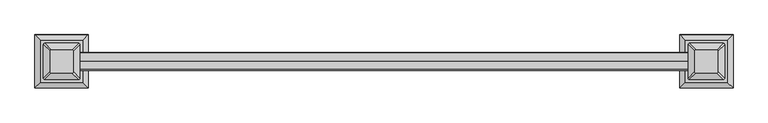
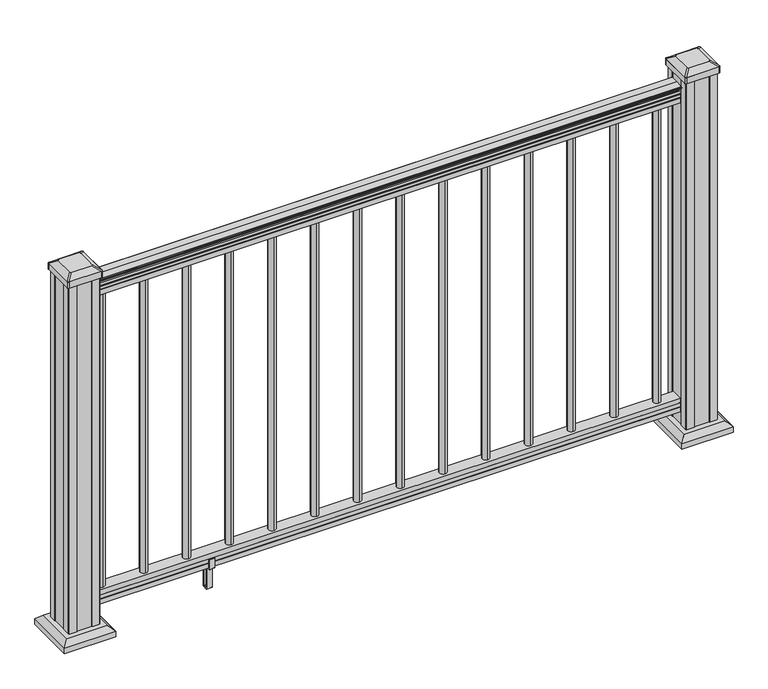
"""IFC4 building model written with IfcOpenShell, lengths in millimetres: railing geometry."""

from ifc_helpers import new_model, si_unit, point, frame, frame_2d, origin, origin_with_axes, place, context, project, spatial, polyline, circle_curve, trimmed, segment, composite_curve, outline, extrude, faceted_brep, source, transform, mapped, element, save
from ifc_brep_helpers import plane_surface, cylinder_surface, revolved_surface, extruded_surface, advanced_brep


def railing_e0f00189(model_context):
    return source(origin(), model_context, "Body", "SolidModel", [
        advanced_brep(
        [(18537.4663678, -20367.8902081, 938.4043297), (18537.4663678, -20367.8902081, 940.292412), (18537.4663678, -20366.7600218, 941.8546695), (18537.4663678, -20366.7600218, 949.0726458), (18537.4663678, -20367.4092782, 951.5060812), (18537.4663678, -20364.9092782, 955.8362083), (18537.4663678, -20363.4999357, 957.5157972), (18537.4663678, -20363.0980367, 958.6205318), (18537.4663678, -20363.0980368, 959.9608158), (18537.4663678, -20364.651484, 961.514263), (18537.4663678, -20385.3230368, 961.514263), (18537.4663678, -20405.9945896, 961.514263), (18537.4663678, -20407.5480368, 959.9608158), (18537.4663678, -20407.5480368, 958.6205318), (18537.4663678, -20407.1461379, 957.5157972), (18537.4663678, -20405.7367954, 955.8362083), (18537.4663678, -20403.2367954, 951.5060812), (18537.4663678, -20403.8860518, 949.0726458), (18537.4663678, -20403.8860518, 941.8546695), (18537.4663678, -20402.7558655, 940.292412), (18537.4663678, -20402.7558656, 938.4043297), (18537.4663678, -20400.1820368, 938.4043297), (18537.4663678, -20400.1820368, 927.9048283), (18537.4663678, -20401.1980368, 926.8888283), (18537.4663678, -20401.1980368, 914.4), (18537.4663678, -20369.4480368, 914.4), (18537.4663678, -20369.4480368, 926.731013), (18537.4663678, -20370.4640368, 927.747013), (18537.4663678, -20370.4640368, 938.4043297), (17013.4663678, -20367.8902081, 938.4043297), (17013.4663678, -20370.4640368, 938.4043297), (17013.4663678, -20370.4640368, 927.747013), (17013.4663678, -20369.4480368, 926.731013), (17013.4663678, -20369.4480368, 914.4), (17013.4663678, -20401.1980368, 914.4), (17013.4663678, -20401.1980368, 926.8888283), (17013.4663678, -20400.1820368, 927.9048283), (17013.4663678, -20400.1820368, 938.4043297), (17013.4663678, -20402.7558656, 938.4043297), (17013.4663678, -20402.7558656, 940.292412), (17013.4663678, -20403.8860518, 941.8546695), (17013.4663678, -20403.8860518, 949.0726458), (17013.4663678, -20403.2367954, 951.5060812), (17013.4663678, -20405.7367954, 955.8362083), (17013.4663678, -20407.1461379, 957.5157972), (17013.4663678, -20407.5480369, 958.6205318), (17013.4663678, -20407.5480368, 959.9608158), (17013.4663678, -20405.9945896, 961.514263), (17013.4663678, -20385.3230368, 961.514263), (17013.4663678, -20364.651484, 961.514263), (17013.4663678, -20363.0980368, 959.9608158), (17013.4663678, -20363.0980368, 958.6205318), (17013.4663678, -20363.4999357, 957.5157972), (17013.4663678, -20364.9092782, 955.8362083), (17013.4663678, -20367.4092782, 951.5060812), (17013.4663678, -20366.7600218, 949.0726458), (17013.4663678, -20366.7600218, 941.8546695), (17013.4663678, -20367.8902081, 940.292412)],
        [
            (0, 1),
            (1, 2, circle_curve(frame((18537.4663678, -20374.2049614, 946.0506383), z_axis=(1.0, 0.0, 0.0), x_axis=(0.0, -1.0, 0.0)), 8.545951)),
            (2, 3, circle_curve(frame((18537.4663678, -20373.7678984, 945.4636577), z_axis=(1.0, 0.0, 0.0), x_axis=(0.0, -1.0, 0.0)), 7.882584)),
            (3, 4, circle_curve(frame((18537.4663678, -20363.2545743, 951.3112527), z_axis=(-1.0, 0.0, 0.0), x_axis=(0.0, -1.0, 0.0)), 4.1592695)),
            (4, 5, circle_curve(frame((18537.4663678, -20361.9672677, 951.2508864), z_axis=(-1.0, 0.0, 0.0), x_axis=(0.0, -1.0, 0.0)), 5.4479907)),
            (5, 6, circle_curve(frame((18537.4663678, -20363.2004262, 955.833395), z_axis=(-1.0, 0.0, 0.0), x_axis=(0.0, -1.0, 0.0)), 1.7088543)),
            (6, 7, circle_curve(frame((18537.4663678, -20364.8173262, 958.6205318), z_axis=(1.0, 0.0, 0.0), x_axis=(0.0, -1.0, 0.0)), 1.7192895)),
            (7, 8),
            (8, 9, circle_curve(frame((18537.4663678, -20364.651484, 959.9608158), z_axis=(1.0, 0.0, 0.0), x_axis=(0.0, -1.0, 0.0)), 1.5534472)),
            (9, 10),
            (10, 11),
            (11, 12, circle_curve(frame((18537.4663678, -20405.9945896, 959.9608158), z_axis=(1.0, 0.0, 0.0), x_axis=(0.0, 1.0, 0.0)), 1.5534472)),
            (12, 13),
            (13, 14, circle_curve(frame((18537.4663678, -20405.8287474, 958.6205318), z_axis=(1.0, 0.0, 0.0), x_axis=(0.0, 1.0, 0.0)), 1.7192895)),
            (14, 15, circle_curve(frame((18537.4663678, -20407.4456475, 955.833395), z_axis=(-1.0, 0.0, 0.0), x_axis=(0.0, 1.0, 0.0)), 1.7088543)),
            (15, 16, circle_curve(frame((18537.4663678, -20408.6788059, 951.2508864), z_axis=(-1.0, 0.0, 0.0), x_axis=(0.0, 1.0, 0.0)), 5.4479907)),
            (16, 17, circle_curve(frame((18537.4663678, -20407.3914994, 951.3112527), z_axis=(-1.0, 0.0, 0.0), x_axis=(0.0, 1.0, 0.0)), 4.1592695)),
            (17, 18, circle_curve(frame((18537.4663678, -20396.8781752, 945.4636577), z_axis=(1.0, 0.0, 0.0), x_axis=(0.0, 1.0, 0.0)), 7.882584)),
            (18, 19, circle_curve(frame((18537.4663678, -20396.4411123, 946.0506383), z_axis=(1.0, 0.0, 0.0), x_axis=(0.0, 1.0, 0.0)), 8.545951)),
            (19, 20),
            (20, 21, circle_curve(frame((18537.4663678, -20401.4689512, 938.4043297), z_axis=(1.0, 0.0, 0.0), x_axis=(0.0, 1.0, 0.0)), 1.2869144)),
            (21, 22),
            (22, 23),
            (23, 24),
            (24, 25),
            (25, 26),
            (26, 27),
            (27, 28),
            (28, 0, circle_curve(frame((18537.4663678, -20369.1771224, 938.4043297), z_axis=(1.0, 0.0, 0.0), x_axis=(0.0, -1.0, 0.0)), 1.2869144)),
            (29, 30, circle_curve(frame((17013.4663678, -20369.1771224, 938.4043297), z_axis=(-1.0, 0.0, 0.0), x_axis=(0.0, -1.0, 0.0)), 1.2869144)),
            (30, 31),
            (31, 32),
            (32, 33),
            (33, 34),
            (34, 35),
            (35, 36),
            (36, 37),
            (37, 38, circle_curve(frame((17013.4663678, -20401.4689512, 938.4043297), z_axis=(-1.0, 0.0, 0.0), x_axis=(0.0, 1.0, 0.0)), 1.2869144)),
            (38, 39),
            (39, 40, circle_curve(frame((17013.4663678, -20396.4411123, 946.0506383), z_axis=(-1.0, 0.0, 0.0), x_axis=(0.0, 1.0, 0.0)), 8.545951)),
            (40, 41, circle_curve(frame((17013.4663678, -20396.8781752, 945.4636577), z_axis=(-1.0, 0.0, 0.0), x_axis=(0.0, 1.0, 0.0)), 7.882584)),
            (41, 42, circle_curve(frame((17013.4663678, -20407.3914994, 951.3112527), z_axis=(1.0, 0.0, 0.0), x_axis=(0.0, 1.0, 0.0)), 4.1592695)),
            (42, 43, circle_curve(frame((17013.4663678, -20408.6788059, 951.2508864), z_axis=(1.0, 0.0, 0.0), x_axis=(0.0, 1.0, 0.0)), 5.4479907)),
            (43, 44, circle_curve(frame((17013.4663678, -20407.4456475, 955.833395), z_axis=(1.0, 0.0, 0.0), x_axis=(0.0, 1.0, 0.0)), 1.7088543)),
            (44, 45, circle_curve(frame((17013.4663678, -20405.8287474, 958.6205318), z_axis=(-1.0, 0.0, 0.0), x_axis=(0.0, 1.0, 0.0)), 1.7192895)),
            (45, 46),
            (46, 47, circle_curve(frame((17013.4663678, -20405.9945896, 959.9608158), z_axis=(-1.0, 0.0, 0.0), x_axis=(0.0, 1.0, 0.0)), 1.5534472)),
            (47, 48),
            (48, 49),
            (49, 50, circle_curve(frame((17013.4663678, -20364.651484, 959.9608158), z_axis=(-1.0, 0.0, 0.0), x_axis=(0.0, -1.0, 0.0)), 1.5534472)),
            (50, 51),
            (51, 52, circle_curve(frame((17013.4663678, -20364.8173262, 958.6205318), z_axis=(-1.0, 0.0, 0.0), x_axis=(0.0, -1.0, 0.0)), 1.7192895)),
            (52, 53, circle_curve(frame((17013.4663678, -20363.2004262, 955.833395), z_axis=(1.0, 0.0, 0.0), x_axis=(0.0, -1.0, 0.0)), 1.7088543)),
            (53, 54, circle_curve(frame((17013.4663678, -20361.9672677, 951.2508864), z_axis=(1.0, 0.0, 0.0), x_axis=(0.0, -1.0, 0.0)), 5.4479907)),
            (54, 55, circle_curve(frame((17013.4663678, -20363.2545743, 951.3112527), z_axis=(1.0, 0.0, 0.0), x_axis=(0.0, -1.0, 0.0)), 4.1592695)),
            (55, 56, circle_curve(frame((17013.4663678, -20373.7678984, 945.4636577), z_axis=(-1.0, 0.0, 0.0), x_axis=(0.0, -1.0, 0.0)), 7.882584)),
            (56, 57, circle_curve(frame((17013.4663678, -20374.2049614, 946.0506383), z_axis=(-1.0, 0.0, 0.0), x_axis=(0.0, -1.0, 0.0)), 8.545951)),
            (57, 29),
            (28, 30),
            (29, 0),
            (27, 31),
            (26, 32),
            (25, 33),
            (24, 34),
            (23, 35),
            (22, 36),
            (21, 37),
            (20, 38),
            (19, 39),
            (18, 40),
            (17, 41),
            (16, 42),
            (15, 43),
            (14, 44),
            (13, 45),
            (12, 46),
            (11, 47),
            (10, 48),
            (9, 49),
            (8, 50),
            (7, 51),
            (6, 52),
            (5, 53),
            (4, 54),
            (3, 55),
            (2, 56),
            (1, 57),
        ],
        [
            plane_surface(frame((18537.4663678, -20385.3230368, 914.4), z_axis=(1.0, 0.0, 0.0), x_axis=(0.0, -1.0, 0.0))),
            plane_surface(frame((17013.4663678, -20385.3230368, 914.4), z_axis=(-1.0, 0.0, 0.0), x_axis=(0.0, -1.0, 0.0))),
            cylinder_surface(frame((18537.4663678, -20369.1771224, 938.4043297), z_axis=(1.0, 0.0, 0.0), x_axis=(0.0, -1.0, 0.0)), 1.2869144),
            plane_surface(frame((18537.4663678, -20370.4640368, 927.747013), z_axis=(0.0, 1.0, 0.0), x_axis=(-1.0, 0.0, 0.0))),
            plane_surface(frame((18537.4663678, -20369.4480368, 926.731013), z_axis=(0.0, 0.7071067811865395, 0.7071067811865556), x_axis=(-1.0, 0.0, 0.0))),
            plane_surface(frame((18537.4663678, -20369.4480368, 914.4), z_axis=(0.0, 1.0, 0.0), x_axis=(-1.0, 0.0, 0.0))),
            plane_surface(frame((18537.4663678, -20401.1980368, 914.4), z_axis=(0.0, 0.0, -1.0), x_axis=(-1.0, 0.0, 0.0))),
            plane_surface(frame((18537.4663678, -20401.1980368, 926.8888283), z_axis=(0.0, -1.0, 0.0), x_axis=(-1.0, 0.0, 0.0))),
            plane_surface(frame((18537.4663678, -20400.1820368, 927.9048283), z_axis=(0.0, -0.7071067811865432, 0.707106781186552), x_axis=(-1.0, 0.0, 0.0))),
            plane_surface(frame((18537.4663678, -20400.1820368, 938.4043297), z_axis=(0.0, -1.0, 0.0), x_axis=(-1.0, 0.0, 0.0))),
            cylinder_surface(frame((18537.4663678, -20401.4689512, 938.4043297), z_axis=(1.0, 0.0, 0.0), x_axis=(0.0, 1.0, 0.0)), 1.2869144),
            plane_surface(frame((18537.4663678, -20402.7558656, 940.292412), z_axis=(0.0, -1.0, 0.0), x_axis=(-1.0, 0.0, 0.0))),
            cylinder_surface(frame((18537.4663678, -20396.4411123, 946.0506383), z_axis=(1.0, 0.0, 0.0), x_axis=(0.0, 1.0, 0.0)), 8.545951),
            cylinder_surface(frame((18537.4663678, -20396.8781752, 945.4636577), z_axis=(1.0, 0.0, 0.0), x_axis=(0.0, 1.0, 0.0)), 7.882584),
            revolved_surface(polyline([(17013.4663678, -20403.2322299, 951.3112527), (18537.4663678, -20403.2322299, 951.3112527)]), (18537.4663678, -20407.3914994, 951.3112527), (-1.0, 0.0, 0.0)),
            revolved_surface(polyline([(17013.4663678, -20403.2308152, 951.2508864), (18537.4663678, -20403.2308152, 951.2508864)]), (18537.4663678, -20408.6788059, 951.2508864), (-1.0, 0.0, 0.0)),
            revolved_surface(polyline([(17013.4663678, -20405.7367932, 955.833395), (18537.4663678, -20405.7367932, 955.833395)]), (18537.4663678, -20407.4456475, 955.833395), (-1.0, 0.0, 0.0)),
            cylinder_surface(frame((18537.4663678, -20405.8287474, 958.6205318), z_axis=(1.0, 0.0, 0.0), x_axis=(0.0, 1.0, 0.0)), 1.7192895),
            plane_surface(frame((18537.4663678, -20407.5480368, 959.9608158), z_axis=(0.0, -1.0, 0.0), x_axis=(-1.0, 0.0, 0.0))),
            cylinder_surface(frame((18537.4663678, -20405.9945896, 959.9608158), z_axis=(1.0, 0.0, 0.0), x_axis=(0.0, 1.0, 0.0)), 1.5534472),
            plane_surface(frame((18537.4663678, -20385.3230368, 961.514263), z_axis=(0.0, 0.0, 1.0), x_axis=(-1.0, 0.0, 0.0))),
            plane_surface(frame((18537.4663678, -20364.651484, 961.514263), z_axis=(0.0, 0.0, 1.0), x_axis=(-1.0, 0.0, 0.0))),
            cylinder_surface(frame((18537.4663678, -20364.651484, 959.9608158), z_axis=(1.0, 0.0, 0.0), x_axis=(0.0, -1.0, 0.0)), 1.5534472),
            plane_surface(frame((18537.4663678, -20363.0980368, 958.6205318), z_axis=(0.0, 1.0, 0.0), x_axis=(-1.0, 0.0, 0.0))),
            cylinder_surface(frame((18537.4663678, -20364.8173262, 958.6205318), z_axis=(1.0, 0.0, 0.0), x_axis=(0.0, -1.0, 0.0)), 1.7192895),
            revolved_surface(polyline([(17013.4663678, -20364.9092805, 955.833395), (18537.4663678, -20364.9092805, 955.833395)]), (18537.4663678, -20363.2004262, 955.833395), (-1.0, 0.0, 0.0)),
            revolved_surface(polyline([(17013.4663678, -20367.4152584, 951.2508864), (18537.4663678, -20367.4152584, 951.2508864)]), (18537.4663678, -20361.9672677, 951.2508864), (-1.0, 0.0, 0.0)),
            revolved_surface(polyline([(17013.4663678, -20367.4138438, 951.3112527), (18537.4663678, -20367.4138438, 951.3112527)]), (18537.4663678, -20363.2545743, 951.3112527), (-1.0, 0.0, 0.0)),
            cylinder_surface(frame((18537.4663678, -20373.7678984, 945.4636577), z_axis=(1.0, 0.0, 0.0), x_axis=(0.0, -1.0, 0.0)), 7.882584),
            cylinder_surface(frame((18537.4663678, -20374.2049614, 946.0506383), z_axis=(1.0, 0.0, 0.0), x_axis=(0.0, -1.0, 0.0)), 8.545951),
            plane_surface(frame((18537.4663678, -20367.8902081, 938.4043297), z_axis=(0.0, 1.0, 0.0), x_axis=(-1.0, 0.0, 0.0))),
        ],
        [
            (0, [[1, 2, 3, 4, 5, 6, 7, 8, 9, 10, 11, 12, 13, 14, 15, 16, 17, 18, 19, 20, 21, 22, 23, 24, 25, 26, 27, 28, 29]]),
            (1, [[30, 31, 32, 33, 34, 35, 36, 37, 38, 39, 40, 41, 42, 43, 44, 45, 46, 47, 48, 49, 50, 51, 52, 53, 54, 55, 56, 57, 58]]),
            (2, [[-29, 59, -30, 60]]),
            (3, [[-28, 61, -31, -59]]),
            (4, [[-27, 62, -32, -61]]),
            (5, [[-26, 63, -33, -62]]),
            (6, [[-25, 64, -34, -63]]),
            (7, [[-24, 65, -35, -64]]),
            (8, [[-23, 66, -36, -65]]),
            (9, [[-22, 67, -37, -66]]),
            (10, [[-21, 68, -38, -67]]),
            (11, [[-20, 69, -39, -68]]),
            (12, [[-19, 70, -40, -69]]),
            (13, [[-18, 71, -41, -70]]),
            (14, [[-17, 72, -42, -71]]),
            (15, [[-16, 73, -43, -72]]),
            (16, [[-15, 74, -44, -73]]),
            (17, [[-14, 75, -45, -74]]),
            (18, [[-13, 76, -46, -75]]),
            (19, [[-12, 77, -47, -76]]),
            (20, [[-11, 78, -48, -77]]),
            (21, [[-10, 79, -49, -78]]),
            (22, [[-9, 80, -50, -79]]),
            (23, [[-8, 81, -51, -80]]),
            (24, [[-7, 82, -52, -81]]),
            (25, [[-6, 83, -53, -82]]),
            (26, [[-5, 84, -54, -83]]),
            (27, [[-4, 85, -55, -84]]),
            (28, [[-3, 86, -56, -85]]),
            (29, [[-2, 87, -57, -86]]),
            (30, [[-1, -60, -58, -87]]),
        ],
    ),
        faceted_brep([(18537.4663678, -20369.4105499, 76.0541976), (18537.4663678, -20370.4265499, 77.3546183), (18537.4663678, -20370.4265499, 87.7141717), (18537.4663678, -20369.4105499, 89.0624492), (18537.4663678, -20369.4105499, 101.5958781), (18537.4663678, -20401.1605499, 101.5958781), (18537.4663678, -20401.1605499, 89.0458024), (18537.4663678, -20400.1445499, 87.6975248), (18537.4663678, -20400.1445499, 77.3858283), (18537.4663678, -20401.1605499, 76.0375508), (18537.4663678, -20401.1605499, 63.5), (18537.4663678, -20369.4105499, 63.5), (17013.4663678, -20369.4105499, 76.0541976), (17013.4663678, -20369.4105499, 63.5), (17013.4663678, -20401.1605499, 63.5), (17013.4663678, -20401.1605499, 76.0375508), (17013.4663678, -20400.1445499, 77.3858283), (17013.4663678, -20400.1445499, 87.6975248), (17013.4663678, -20401.1605499, 89.0458024), (17013.4663678, -20401.1605499, 101.5958781), (17013.4663678, -20369.4105499, 101.5958781), (17013.4663678, -20369.4105499, 89.0624492), (17013.4663678, -20370.4265499, 87.7141717), (17013.4663678, -20370.4265499, 77.3546183)], [[[0, 1, 2, 3, 4, 5, 6, 7, 8, 9, 10, 11]], [[12, 13, 14, 15, 16, 17, 18, 19, 20, 21, 22, 23]], [[0, 11, 13, 12]], [[11, 10, 14, 13]], [[10, 9, 15, 14]], [[9, 8, 16, 15]], [[8, 7, 17, 16]], [[7, 6, 18, 17]], [[6, 5, 19, 18]], [[5, 4, 20, 19]], [[4, 3, 21, 20]], [[3, 2, 22, 21]], [[2, 1, 23, 22]], [[1, 0, 12, 23]]]),
        extrude(outline(composite_curve([segment(trimmed(circle_curve(frame_2d((17038.8663678, -20385.3230368)), 9.525), [point((17038.8663678, -20375.7980368))], [point((17048.3913678, -20385.3230368))], False, "CARTESIAN"), True, "CONTINUOUS"), segment(trimmed(circle_curve(frame_2d((17038.8663678, -20385.3230368)), 9.525), [point((17048.3913678, -20385.3230368))], [point((17038.8663678, -20394.8480368))], False, "CARTESIAN"), True, "CONTINUOUS"), segment(trimmed(circle_curve(frame_2d((17038.8663678, -20385.3230368)), 9.525), [point((17038.8663678, -20394.8480368))], [point((17029.3413678, -20385.3230368))], False, "CARTESIAN"), True, "CONTINUOUS"), segment(trimmed(circle_curve(frame_2d((17038.8663678, -20385.3230368)), 9.525), [point((17029.3413678, -20385.3230368))], [point((17038.8663678, -20375.7980368))], False, "CARTESIAN"), True, "CONTINUOUS")], self_intersect=False)), frame((0.0, 0.0, 101.5958781), z_axis=(0.0, 0.0, 1.0), x_axis=(1.0, 0.0, 0.0)), (0.0, 0.0, 1.0), 812.8041219),
        extrude(outline(composite_curve([segment(trimmed(circle_curve(frame_2d((17150.1183678, -20385.3230368)), 9.525), [point((17150.1183678, -20375.7980368))], [point((17159.6433678, -20385.3230368))], False, "CARTESIAN"), True, "CONTINUOUS"), segment(trimmed(circle_curve(frame_2d((17150.1183678, -20385.3230368)), 9.525), [point((17159.6433678, -20385.3230368))], [point((17150.1183678, -20394.8480368))], False, "CARTESIAN"), True, "CONTINUOUS"), segment(trimmed(circle_curve(frame_2d((17150.1183678, -20385.3230368)), 9.525), [point((17150.1183678, -20394.8480368))], [point((17140.5933678, -20385.3230368))], False, "CARTESIAN"), True, "CONTINUOUS"), segment(trimmed(circle_curve(frame_2d((17150.1183678, -20385.3230368)), 9.525), [point((17140.5933678, -20385.3230368))], [point((17150.1183678, -20375.7980368))], False, "CARTESIAN"), True, "CONTINUOUS")], self_intersect=False)), frame((0.0, 0.0, 101.5958781), z_axis=(0.0, 0.0, 1.0), x_axis=(1.0, 0.0, 0.0)), (0.0, 0.0, 1.0), 812.8041219),
        extrude(outline(composite_curve([segment(trimmed(circle_curve(frame_2d((17261.3703678, -20385.3230368)), 9.525), [point((17261.3703678, -20375.7980368))], [point((17270.8953678, -20385.3230368))], False, "CARTESIAN"), True, "CONTINUOUS"), segment(trimmed(circle_curve(frame_2d((17261.3703678, -20385.3230368)), 9.525), [point((17270.8953678, -20385.3230368))], [point((17261.3703678, -20394.8480368))], False, "CARTESIAN"), True, "CONTINUOUS"), segment(trimmed(circle_curve(frame_2d((17261.3703678, -20385.3230368)), 9.525), [point((17261.3703678, -20394.8480368))], [point((17251.8453678, -20385.3230368))], False, "CARTESIAN"), True, "CONTINUOUS"), segment(trimmed(circle_curve(frame_2d((17261.3703678, -20385.3230368)), 9.525), [point((17251.8453678, -20385.3230368))], [point((17261.3703678, -20375.7980368))], False, "CARTESIAN"), True, "CONTINUOUS")], self_intersect=False)), frame((0.0, 0.0, 101.5958781), z_axis=(0.0, 0.0, 1.0), x_axis=(1.0, 0.0, 0.0)), (0.0, 0.0, 1.0), 812.8041219),
        extrude(outline(polyline([(-20403.4840356, 88.7203979), (-20401.452036, 88.7203979), (-20400.4360363, 87.7043953), (-20400.4360363, 77.2686081), (-20401.452036, 76.2526073), (-20401.452036, 64.262001), (-20400.6900369, 63.5000019), (-20369.9560358, 63.5000019), (-20369.1940366, 64.262001), (-20369.1940366, 76.2526073), (-20370.2100364, 77.2686081), (-20370.2100364, 87.7043953), (-20369.1940366, 88.7203979), (-20367.162037, 88.7203979), (-20366.400036, 87.9583969), (-20366.400036, 61.4680023), (-20367.162037, 60.7060013), (-20377.1950361, 60.7060013), (-20377.9570362, 59.9440012), (-20377.9570362, 0.762001), (-20378.7190372, 0.0), (-20391.9270364, 0.0), (-20392.6890365, 0.7620001), (-20392.6890365, 59.9440012), (-20393.4510366, 60.7060013), (-20403.4840356, 60.7060013), (-20404.2460367, 61.4680023), (-20404.2460367, 87.9583969), (-20403.4840356, 88.7203979)]), holes=[polyline([(-20381.8940364, 60.7060013), (-20388.7520362, 60.7060013), (-20389.5140363, 59.9440012), (-20389.5140363, 3.9370003), (-20388.7520391, 3.1750031), (-20381.8940364, 3.1750031), (-20381.1320363, 3.9370031), (-20381.1320363, 59.9440012), (-20381.8940364, 60.7060013)])]), frame((17309.6303678, 0.0, 0.0), z_axis=(1.0, 0.0, 0.0), x_axis=(0.0, 1.0, 0.0)), (0.0, 0.0, 1.0), 14.732),
        extrude(outline(composite_curve([segment(trimmed(circle_curve(frame_2d((17372.6223678, -20385.3230368)), 9.525), [point((17372.6223678, -20375.7980368))], [point((17382.1473678, -20385.3230368))], False, "CARTESIAN"), True, "CONTINUOUS"), segment(trimmed(circle_curve(frame_2d((17372.6223678, -20385.3230368)), 9.525), [point((17382.1473678, -20385.3230368))], [point((17372.6223678, -20394.8480368))], False, "CARTESIAN"), True, "CONTINUOUS"), segment(trimmed(circle_curve(frame_2d((17372.6223678, -20385.3230368)), 9.525), [point((17372.6223678, -20394.8480368))], [point((17363.0973678, -20385.3230368))], False, "CARTESIAN"), True, "CONTINUOUS"), segment(trimmed(circle_curve(frame_2d((17372.6223678, -20385.3230368)), 9.525), [point((17363.0973678, -20385.3230368))], [point((17372.6223678, -20375.7980368))], False, "CARTESIAN"), True, "CONTINUOUS")], self_intersect=False)), frame((0.0, 0.0, 101.5958781), z_axis=(0.0, 0.0, 1.0), x_axis=(1.0, 0.0, 0.0)), (0.0, 0.0, 1.0), 812.8041219),
        extrude(outline(composite_curve([segment(trimmed(circle_curve(frame_2d((17483.8743678, -20385.3230368)), 9.525), [point((17483.8743678, -20375.7980368))], [point((17493.3993678, -20385.3230368))], False, "CARTESIAN"), True, "CONTINUOUS"), segment(trimmed(circle_curve(frame_2d((17483.8743678, -20385.3230368)), 9.525), [point((17493.3993678, -20385.3230368))], [point((17483.8743678, -20394.8480368))], False, "CARTESIAN"), True, "CONTINUOUS"), segment(trimmed(circle_curve(frame_2d((17483.8743678, -20385.3230368)), 9.525), [point((17483.8743678, -20394.8480368))], [point((17474.3493678, -20385.3230368))], False, "CARTESIAN"), True, "CONTINUOUS"), segment(trimmed(circle_curve(frame_2d((17483.8743678, -20385.3230368)), 9.525), [point((17474.3493678, -20385.3230368))], [point((17483.8743678, -20375.7980368))], False, "CARTESIAN"), True, "CONTINUOUS")], self_intersect=False)), frame((0.0, 0.0, 101.5958781), z_axis=(0.0, 0.0, 1.0), x_axis=(1.0, 0.0, 0.0)), (0.0, 0.0, 1.0), 812.8041219),
        extrude(outline(composite_curve([segment(trimmed(circle_curve(frame_2d((17595.1263678, -20385.3230368)), 9.525), [point((17595.1263678, -20375.7980368))], [point((17604.6513678, -20385.3230368))], False, "CARTESIAN"), True, "CONTINUOUS"), segment(trimmed(circle_curve(frame_2d((17595.1263678, -20385.3230368)), 9.525), [point((17604.6513678, -20385.3230368))], [point((17595.1263678, -20394.8480368))], False, "CARTESIAN"), True, "CONTINUOUS"), segment(trimmed(circle_curve(frame_2d((17595.1263678, -20385.3230368)), 9.525), [point((17595.1263678, -20394.8480368))], [point((17585.6013678, -20385.3230368))], False, "CARTESIAN"), True, "CONTINUOUS"), segment(trimmed(circle_curve(frame_2d((17595.1263678, -20385.3230368)), 9.525), [point((17585.6013678, -20385.3230368))], [point((17595.1263678, -20375.7980368))], False, "CARTESIAN"), True, "CONTINUOUS")], self_intersect=False)), frame((0.0, 0.0, 101.5958781), z_axis=(0.0, 0.0, 1.0), x_axis=(1.0, 0.0, 0.0)), (0.0, 0.0, 1.0), 812.8041219),
        extrude(outline(composite_curve([segment(trimmed(circle_curve(frame_2d((17706.3783678, -20385.3230368)), 9.525), [point((17706.3783678, -20375.7980368))], [point((17715.9033678, -20385.3230368))], False, "CARTESIAN"), True, "CONTINUOUS"), segment(trimmed(circle_curve(frame_2d((17706.3783678, -20385.3230368)), 9.525), [point((17715.9033678, -20385.3230368))], [point((17706.3783678, -20394.8480368))], False, "CARTESIAN"), True, "CONTINUOUS"), segment(trimmed(circle_curve(frame_2d((17706.3783678, -20385.3230368)), 9.525), [point((17706.3783678, -20394.8480368))], [point((17696.8533678, -20385.3230368))], False, "CARTESIAN"), True, "CONTINUOUS"), segment(trimmed(circle_curve(frame_2d((17706.3783678, -20385.3230368)), 9.525), [point((17696.8533678, -20385.3230368))], [point((17706.3783678, -20375.7980368))], False, "CARTESIAN"), True, "CONTINUOUS")], self_intersect=False)), frame((0.0, 0.0, 101.5958781), z_axis=(0.0, 0.0, 1.0), x_axis=(1.0, 0.0, 0.0)), (0.0, 0.0, 1.0), 812.8041219),
        extrude(outline(composite_curve([segment(trimmed(circle_curve(frame_2d((17817.6303678, -20385.3230368)), 9.525), [point((17817.6303678, -20375.7980368))], [point((17827.1553678, -20385.3230368))], False, "CARTESIAN"), True, "CONTINUOUS"), segment(trimmed(circle_curve(frame_2d((17817.6303678, -20385.3230368)), 9.525), [point((17827.1553678, -20385.3230368))], [point((17817.6303678, -20394.8480368))], False, "CARTESIAN"), True, "CONTINUOUS"), segment(trimmed(circle_curve(frame_2d((17817.6303678, -20385.3230368)), 9.525), [point((17817.6303678, -20394.8480368))], [point((17808.1053678, -20385.3230368))], False, "CARTESIAN"), True, "CONTINUOUS"), segment(trimmed(circle_curve(frame_2d((17817.6303678, -20385.3230368)), 9.525), [point((17808.1053678, -20385.3230368))], [point((17817.6303678, -20375.7980368))], False, "CARTESIAN"), True, "CONTINUOUS")], self_intersect=False)), frame((0.0, 0.0, 101.5958781), z_axis=(0.0, 0.0, 1.0), x_axis=(1.0, 0.0, 0.0)), (0.0, 0.0, 1.0), 812.8041219),
        extrude(outline(composite_curve([segment(trimmed(circle_curve(frame_2d((17928.8823678, -20385.3230368)), 9.525), [point((17928.8823678, -20375.7980368))], [point((17938.4073678, -20385.3230368))], False, "CARTESIAN"), True, "CONTINUOUS"), segment(trimmed(circle_curve(frame_2d((17928.8823678, -20385.3230368)), 9.525), [point((17938.4073678, -20385.3230368))], [point((17928.8823678, -20394.8480368))], False, "CARTESIAN"), True, "CONTINUOUS"), segment(trimmed(circle_curve(frame_2d((17928.8823678, -20385.3230368)), 9.525), [point((17928.8823678, -20394.8480368))], [point((17919.3573678, -20385.3230368))], False, "CARTESIAN"), True, "CONTINUOUS"), segment(trimmed(circle_curve(frame_2d((17928.8823678, -20385.3230368)), 9.525), [point((17919.3573678, -20385.3230368))], [point((17928.8823678, -20375.7980368))], False, "CARTESIAN"), True, "CONTINUOUS")], self_intersect=False)), frame((0.0, 0.0, 101.5958781), z_axis=(0.0, 0.0, 1.0), x_axis=(1.0, 0.0, 0.0)), (0.0, 0.0, 1.0), 812.8041219),
        extrude(outline(composite_curve([segment(trimmed(circle_curve(frame_2d((18040.1343678, -20385.3230368)), 9.525), [point((18040.1343678, -20375.7980368))], [point((18049.6593678, -20385.3230368))], False, "CARTESIAN"), True, "CONTINUOUS"), segment(trimmed(circle_curve(frame_2d((18040.1343678, -20385.3230368)), 9.525), [point((18049.6593678, -20385.3230368))], [point((18040.1343678, -20394.8480368))], False, "CARTESIAN"), True, "CONTINUOUS"), segment(trimmed(circle_curve(frame_2d((18040.1343678, -20385.3230368)), 9.525), [point((18040.1343678, -20394.8480368))], [point((18030.6093678, -20385.3230368))], False, "CARTESIAN"), True, "CONTINUOUS"), segment(trimmed(circle_curve(frame_2d((18040.1343678, -20385.3230368)), 9.525), [point((18030.6093678, -20385.3230368))], [point((18040.1343678, -20375.7980368))], False, "CARTESIAN"), True, "CONTINUOUS")], self_intersect=False)), frame((0.0, 0.0, 101.5958781), z_axis=(0.0, 0.0, 1.0), x_axis=(1.0, 0.0, 0.0)), (0.0, 0.0, 1.0), 812.8041219),
        extrude(outline(composite_curve([segment(trimmed(circle_curve(frame_2d((18151.3863678, -20385.3230368)), 9.525), [point((18151.3863678, -20375.7980368))], [point((18160.9113678, -20385.3230368))], False, "CARTESIAN"), True, "CONTINUOUS"), segment(trimmed(circle_curve(frame_2d((18151.3863678, -20385.3230368)), 9.525), [point((18160.9113678, -20385.3230368))], [point((18151.3863678, -20394.8480368))], False, "CARTESIAN"), True, "CONTINUOUS"), segment(trimmed(circle_curve(frame_2d((18151.3863678, -20385.3230368)), 9.525), [point((18151.3863678, -20394.8480368))], [point((18141.8613678, -20385.3230368))], False, "CARTESIAN"), True, "CONTINUOUS"), segment(trimmed(circle_curve(frame_2d((18151.3863678, -20385.3230368)), 9.525), [point((18141.8613678, -20385.3230368))], [point((18151.3863678, -20375.7980368))], False, "CARTESIAN"), True, "CONTINUOUS")], self_intersect=False)), frame((0.0, 0.0, 101.5958781), z_axis=(0.0, 0.0, 1.0), x_axis=(1.0, 0.0, 0.0)), (0.0, 0.0, 1.0), 812.8041219),
        extrude(outline(composite_curve([segment(trimmed(circle_curve(frame_2d((18262.6383678, -20385.3230368)), 9.525), [point((18262.6383678, -20375.7980368))], [point((18272.1633678, -20385.3230368))], False, "CARTESIAN"), True, "CONTINUOUS"), segment(trimmed(circle_curve(frame_2d((18262.6383678, -20385.3230368)), 9.525), [point((18272.1633678, -20385.3230368))], [point((18262.6383678, -20394.8480368))], False, "CARTESIAN"), True, "CONTINUOUS"), segment(trimmed(circle_curve(frame_2d((18262.6383678, -20385.3230368)), 9.525), [point((18262.6383678, -20394.8480368))], [point((18253.1133678, -20385.3230368))], False, "CARTESIAN"), True, "CONTINUOUS"), segment(trimmed(circle_curve(frame_2d((18262.6383678, -20385.3230368)), 9.525), [point((18253.1133678, -20385.3230368))], [point((18262.6383678, -20375.7980368))], False, "CARTESIAN"), True, "CONTINUOUS")], self_intersect=False)), frame((0.0, 0.0, 101.5958781), z_axis=(0.0, 0.0, 1.0), x_axis=(1.0, 0.0, 0.0)), (0.0, 0.0, 1.0), 812.8041219),
        extrude(outline(composite_curve([segment(trimmed(circle_curve(frame_2d((18373.8903678, -20385.3230368)), 9.525), [point((18373.8903678, -20375.7980368))], [point((18383.4153678, -20385.3230368))], False, "CARTESIAN"), True, "CONTINUOUS"), segment(trimmed(circle_curve(frame_2d((18373.8903678, -20385.3230368)), 9.525), [point((18383.4153678, -20385.3230368))], [point((18373.8903678, -20394.8480368))], False, "CARTESIAN"), True, "CONTINUOUS"), segment(trimmed(circle_curve(frame_2d((18373.8903678, -20385.3230368)), 9.525), [point((18373.8903678, -20394.8480368))], [point((18364.3653678, -20385.3230368))], False, "CARTESIAN"), True, "CONTINUOUS"), segment(trimmed(circle_curve(frame_2d((18373.8903678, -20385.3230368)), 9.525), [point((18364.3653678, -20385.3230368))], [point((18373.8903678, -20375.7980368))], False, "CARTESIAN"), True, "CONTINUOUS")], self_intersect=False)), frame((0.0, 0.0, 101.5958781), z_axis=(0.0, 0.0, 1.0), x_axis=(1.0, 0.0, 0.0)), (0.0, 0.0, 1.0), 812.8041219),
        extrude(outline(composite_curve([segment(trimmed(circle_curve(frame_2d((18485.1423678, -20385.3230368)), 9.525), [point((18485.1423678, -20375.7980368))], [point((18494.6673678, -20385.3230368))], False, "CARTESIAN"), True, "CONTINUOUS"), segment(trimmed(circle_curve(frame_2d((18485.1423678, -20385.3230368)), 9.525), [point((18494.6673678, -20385.3230368))], [point((18485.1423678, -20394.8480368))], False, "CARTESIAN"), True, "CONTINUOUS"), segment(trimmed(circle_curve(frame_2d((18485.1423678, -20385.3230368)), 9.525), [point((18485.1423678, -20394.8480368))], [point((18475.6173678, -20385.3230368))], False, "CARTESIAN"), True, "CONTINUOUS"), segment(trimmed(circle_curve(frame_2d((18485.1423678, -20385.3230368)), 9.525), [point((18475.6173678, -20385.3230368))], [point((18485.1423678, -20375.7980368))], False, "CARTESIAN"), True, "CONTINUOUS")], self_intersect=False)), frame((0.0, 0.0, 101.5958781), z_axis=(0.0, 0.0, 1.0), x_axis=(1.0, 0.0, 0.0)), (0.0, 0.0, 1.0), 812.8041219),
        faceted_brep([(17024.6503053, -20332.7370993, 28.575), (16919.4784303, -20332.7370993, 28.575), (16919.4784303, -20437.9089743, 28.575), (17024.6503053, -20437.9089743, 28.575), (17038.6897584, -20318.6976462, 15.24), (17038.6897584, -20451.9484274, 15.24), (16905.4389772, -20451.9484274, 15.24), (16905.4389772, -20318.6976462, 15.24)], [[[0, 1, 2, 3]], [[4, 5, 6, 7]], [[4, 0, 3, 5]], [[5, 3, 2, 6]], [[6, 2, 1, 7]], [[7, 1, 0, 4]]]),
        extrude(outline(polyline([(17038.6897584, -20318.6976462), (17038.6897584, -20451.9484274), (16905.4389772, -20451.9484274), (16905.4389772, -20318.6976462), (17038.6897584, -20318.6976462)])), origin_with_axes(), (0.0, 0.0, 1.0), 15.24),
        advanced_brep(
        [(17001.0362428, -20411.1199118, 1012.825), (17001.0362428, -20359.5261618, 1012.825), (16997.8612428, -20356.3511618, 1012.825), (16946.2674928, -20356.3511618, 1012.825), (16943.0924928, -20359.5261618, 1012.825), (16943.0924928, -20411.1199118, 1012.825), (16946.2674928, -20414.2949118, 1012.825), (16997.8612428, -20414.2949118, 1012.825), (17017.3081178, -20427.3917868, 1001.522), (17014.1331178, -20430.5667868, 1001.522), (16929.9956178, -20430.5667868, 1001.522), (16926.8206178, -20427.3917868, 1001.522), (16926.8206178, -20343.2542868, 1001.522), (16929.9956178, -20340.0792868, 1001.522), (17014.1331178, -20340.0792868, 1001.522), (17017.3081178, -20343.2542868, 1001.522)],
        [
            (0, 1),
            (1, 2, circle_curve(frame((16997.8612428, -20359.5261618, 1012.825), z_axis=(0.0, 0.0, 1.0), x_axis=(-1.0, 0.0, 0.0)), 3.175)),
            (2, 3),
            (3, 4, circle_curve(frame((16946.2674928, -20359.5261618, 1012.825), z_axis=(0.0, 0.0, 1.0), x_axis=(-1.0, 0.0, 0.0)), 3.175)),
            (4, 5),
            (5, 6, circle_curve(frame((16946.2674928, -20411.1199118, 1012.825), z_axis=(0.0, 0.0, 1.0), x_axis=(-1.0, 0.0, 0.0)), 3.175)),
            (6, 7),
            (7, 0, circle_curve(frame((16997.8612428, -20411.1199118, 1012.825), z_axis=(0.0, 0.0, 1.0), x_axis=(-1.0, 0.0, 0.0)), 3.175)),
            (8, 9, circle_curve(frame((17014.1331178, -20427.3917868, 1001.522), z_axis=(0.0, 0.0, -1.0), x_axis=(-1.0, 0.0, 0.0)), 3.175)),
            (9, 10),
            (10, 11, circle_curve(frame((16929.9956178, -20427.3917868, 1001.522), z_axis=(0.0, 0.0, -1.0), x_axis=(-1.0, 0.0, 0.0)), 3.175)),
            (11, 12),
            (12, 13, circle_curve(frame((16929.9956178, -20343.2542868, 1001.522), z_axis=(0.0, 0.0, -1.0), x_axis=(-1.0, 0.0, 0.0)), 3.175)),
            (13, 14),
            (14, 15, circle_curve(frame((17014.1331178, -20343.2542868, 1001.522), z_axis=(0.0, 0.0, -1.0), x_axis=(-1.0, 0.0, 0.0)), 3.175)),
            (15, 8),
            (8, 0),
            (7, 9),
            (6, 10),
            (5, 11),
            (4, 12),
            (3, 13),
            (2, 14),
            (1, 15),
        ],
        [
            plane_surface(frame((16972.0643678, -20385.3230368, 1012.825), z_axis=(0.0, 0.0, 1.0), x_axis=(0.0, -1.0, 0.0))),
            plane_surface(frame((16972.0643678, -20385.3230368, 1001.522), z_axis=(0.0, 0.0, -1.0), x_axis=(0.0, -1.0, 0.0))),
            extruded_surface(trimmed(circle_curve(frame((16997.8612428, -20411.1199118, 1012.825), z_axis=(0.0, 0.0, -1.0), x_axis=(-1.0, 0.0, 0.0)), 3.175), [point((17001.0362428, -20411.1199118, 1012.825))], [point((16997.8612428, -20414.2949118, 1012.825))], True, "CARTESIAN"), (16.271874999998545, -16.271874999998545, -11.302999999999997), 25.637972638864316),
            plane_surface(frame((16972.0643678, -20430.5667868, 1001.522), z_axis=(0.0, -0.5705009161540779, 0.8212969649690408), x_axis=(-1.0, 0.0, 0.0))),
            extruded_surface(trimmed(circle_curve(frame((16946.2674928, -20411.1199118, 1012.825), z_axis=(0.0, 0.0, -1.0), x_axis=(-1.0, 0.0, 0.0)), 3.175), [point((16946.2674928, -20414.2949118, 1012.825))], [point((16943.0924928, -20411.1199118, 1012.825))], True, "CARTESIAN"), (-16.271875000002183, -16.271874999998545, -11.302999999999997), 25.63797263886662),
            plane_surface(frame((16926.8206178, -20385.3230368, 1001.522), z_axis=(-0.5705009161540291, 0.0, 0.8212969649690747), x_axis=(0.0, 1.0, 0.0))),
            extruded_surface(trimmed(circle_curve(frame((16946.2674928, -20359.5261618, 1012.825), z_axis=(0.0, 0.0, -1.0), x_axis=(-1.0, 0.0, 0.0)), 3.175), [point((16943.0924928, -20359.5261618, 1012.825))], [point((16946.2674928, -20356.3511618, 1012.825))], True, "CARTESIAN"), (-16.271875000002183, 16.271875000002183, -11.302999999999997), 25.637972638868934),
            plane_surface(frame((16972.0643678, -20340.0792868, 1001.522), z_axis=(0.0, 0.5705009161540141, 0.8212969649690851), x_axis=(1.0, 0.0, 0.0))),
            extruded_surface(trimmed(circle_curve(frame((16997.8612428, -20359.5261618, 1012.825), z_axis=(0.0, 0.0, -1.0), x_axis=(-1.0, 0.0, 0.0)), 3.175), [point((16997.8612428, -20356.3511618, 1012.825))], [point((17001.0362428, -20359.5261618, 1012.825))], True, "CARTESIAN"), (16.271874999998545, 16.271875000002183, -11.302999999999997), 25.63797263886662),
            plane_surface(frame((17017.3081178, -20385.3230368, 1001.522), z_axis=(0.570500916154034, 0.0, 0.8212969649690713), x_axis=(0.0, -1.0, 0.0))),
        ],
        [
            (0, [[1, 2, 3, 4, 5, 6, 7, 8]]),
            (1, [[9, 10, 11, 12, 13, 14, 15, 16]]),
            (2, [[17, -8, 18, -9]]),
            (3, [[-18, -7, 19, -10]]),
            (4, [[-19, -6, 20, -11]]),
            (5, [[-20, -5, 21, -12]]),
            (6, [[-21, -4, 22, -13]]),
            (7, [[-22, -3, 23, -14]]),
            (8, [[-23, -2, 24, -15]]),
            (9, [[-24, -1, -17, -16]]),
        ],
    ),
        extrude(outline(composite_curve([segment(trimmed(circle_curve(frame_2d((17014.1331178, -20427.3917868)), 3.175), [point((17017.3081178, -20427.3917868))], [point((17014.1331178, -20430.5667868))], False, "CARTESIAN"), True, "CONTINUOUS"), segment(polyline([(17014.1331178, -20430.5667868), (16929.9956178, -20430.5667868)]), True, "CONTINUOUS"), segment(trimmed(circle_curve(frame_2d((16929.9956178, -20427.3917868)), 3.175), [point((16929.9956178, -20430.5667868))], [point((16926.8206178, -20427.3917868))], False, "CARTESIAN"), True, "CONTINUOUS"), segment(polyline([(16926.8206178, -20427.3917868), (16926.8206178, -20343.2542868)]), True, "CONTINUOUS"), segment(trimmed(circle_curve(frame_2d((16929.9956178, -20343.2542868)), 3.175), [point((16926.8206178, -20343.2542868))], [point((16929.9956178, -20340.0792868))], False, "CARTESIAN"), True, "CONTINUOUS"), segment(polyline([(16929.9956178, -20340.0792868), (17014.1331178, -20340.0792868)]), True, "CONTINUOUS"), segment(trimmed(circle_curve(frame_2d((17014.1331178, -20343.2542868)), 3.175), [point((17014.1331178, -20340.0792868))], [point((17017.3081178, -20343.2542868))], False, "CARTESIAN"), True, "CONTINUOUS"), segment(polyline([(17017.3081178, -20343.2542868), (17017.3081178, -20427.3917868)]), True, "CONTINUOUS")], self_intersect=False)), frame((0.0, 0.0, 984.25), z_axis=(0.0, 0.0, 1.0), x_axis=(1.0, 0.0, 0.0)), (0.0, 0.0, 1.0), 17.272),
        extrude(outline(polyline([(17013.3393678, -20425.0105368), (17011.7518678, -20426.5980368), (16992.1303678, -20426.5980368), (16991.3683678, -20425.0105368), (16952.7603678, -20425.0105368), (16951.9983678, -20426.5980368), (16932.3768678, -20426.5980368), (16930.7893678, -20425.0105368), (16930.7893678, -20405.3890368), (16932.3768678, -20404.6270368), (16932.3768678, -20366.0190368), (16930.7893678, -20365.2570368), (16930.7893678, -20345.6355368), (16932.3768678, -20344.0480368), (16951.9983678, -20344.0480368), (16952.7603678, -20345.6355368), (16991.3683678, -20345.6355368), (16992.1303678, -20344.0480368), (17011.7518678, -20344.0480368), (17013.3393678, -20345.6355368), (17013.3393678, -20365.2570368), (17011.7518678, -20366.0190368), (17011.7518678, -20404.6270368), (17013.3393678, -20405.3890368), (17013.3393678, -20425.0105368)])), origin_with_axes(), (0.0, 0.0, 1.0), 984.25),
        faceted_brep([(18631.4543053, -20332.7370993, 28.575), (18526.2824303, -20332.7370993, 28.575), (18526.2824303, -20437.9089743, 28.575), (18631.4543053, -20437.9089743, 28.575), (18645.4937584, -20318.6976462, 15.24), (18645.4937584, -20451.9484274, 15.24), (18512.2429772, -20451.9484274, 15.24), (18512.2429772, -20318.6976462, 15.24)], [[[0, 1, 2, 3]], [[4, 5, 6, 7]], [[4, 0, 3, 5]], [[5, 3, 2, 6]], [[6, 2, 1, 7]], [[7, 1, 0, 4]]]),
        extrude(outline(polyline([(18645.4937584, -20318.6976462), (18645.4937584, -20451.9484274), (18512.2429772, -20451.9484274), (18512.2429772, -20318.6976462), (18645.4937584, -20318.6976462)])), origin_with_axes(), (0.0, 0.0, 1.0), 15.24),
        advanced_brep(
        [(18607.8402428, -20411.1199118, 1012.825), (18607.8402428, -20359.5261618, 1012.825), (18604.6652428, -20356.3511618, 1012.825), (18553.0714928, -20356.3511618, 1012.825), (18549.8964928, -20359.5261618, 1012.825), (18549.8964928, -20411.1199118, 1012.825), (18553.0714928, -20414.2949118, 1012.825), (18604.6652428, -20414.2949118, 1012.825), (18624.1121178, -20427.3917868, 1001.522), (18620.9371178, -20430.5667868, 1001.522), (18536.7996178, -20430.5667868, 1001.522), (18533.6246178, -20427.3917868, 1001.522), (18533.6246178, -20343.2542868, 1001.522), (18536.7996178, -20340.0792868, 1001.522), (18620.9371178, -20340.0792868, 1001.522), (18624.1121178, -20343.2542868, 1001.522)],
        [
            (0, 1),
            (1, 2, circle_curve(frame((18604.6652428, -20359.5261618, 1012.825), z_axis=(0.0, 0.0, 1.0), x_axis=(-1.0, 0.0, 0.0)), 3.175)),
            (2, 3),
            (3, 4, circle_curve(frame((18553.0714928, -20359.5261618, 1012.825), z_axis=(0.0, 0.0, 1.0), x_axis=(-1.0, 0.0, 0.0)), 3.175)),
            (4, 5),
            (5, 6, circle_curve(frame((18553.0714928, -20411.1199118, 1012.825), z_axis=(0.0, 0.0, 1.0), x_axis=(-1.0, 0.0, 0.0)), 3.175)),
            (6, 7),
            (7, 0, circle_curve(frame((18604.6652428, -20411.1199118, 1012.825), z_axis=(0.0, 0.0, 1.0), x_axis=(-1.0, 0.0, 0.0)), 3.175)),
            (8, 9, circle_curve(frame((18620.9371178, -20427.3917868, 1001.522), z_axis=(0.0, 0.0, -1.0), x_axis=(-1.0, 0.0, 0.0)), 3.175)),
            (9, 10),
            (10, 11, circle_curve(frame((18536.7996178, -20427.3917868, 1001.522), z_axis=(0.0, 0.0, -1.0), x_axis=(-1.0, 0.0, 0.0)), 3.175)),
            (11, 12),
            (12, 13, circle_curve(frame((18536.7996178, -20343.2542868, 1001.522), z_axis=(0.0, 0.0, -1.0), x_axis=(-1.0, 0.0, 0.0)), 3.175)),
            (13, 14),
            (14, 15, circle_curve(frame((18620.9371178, -20343.2542868, 1001.522), z_axis=(0.0, 0.0, -1.0), x_axis=(-1.0, 0.0, 0.0)), 3.175)),
            (15, 8),
            (8, 0),
            (7, 9),
            (6, 10),
            (5, 11),
            (4, 12),
            (3, 13),
            (2, 14),
            (1, 15),
        ],
        [
            plane_surface(frame((18578.8683678, -20385.3230368, 1012.825), z_axis=(0.0, 0.0, 1.0), x_axis=(0.0, -1.0, 0.0))),
            plane_surface(frame((18578.8683678, -20385.3230368, 1001.522), z_axis=(0.0, 0.0, -1.0), x_axis=(0.0, -1.0, 0.0))),
            extruded_surface(trimmed(circle_curve(frame((18604.6652428, -20411.1199118, 1012.825), z_axis=(0.0, 0.0, -1.0), x_axis=(-1.0, 0.0, 0.0)), 3.175), [point((18607.8402428, -20411.1199118, 1012.825))], [point((18604.6652428, -20414.2949118, 1012.825))], True, "CARTESIAN"), (16.271874999998545, -16.271874999998545, -11.302999999999997), 25.637972638864316),
            plane_surface(frame((18578.8683678, -20430.5667868, 1001.522), z_axis=(0.0, -0.5705009161540779, 0.8212969649690408), x_axis=(-1.0, 0.0, 0.0))),
            extruded_surface(trimmed(circle_curve(frame((18553.0714928, -20411.1199118, 1012.825), z_axis=(0.0, 0.0, -1.0), x_axis=(-1.0, 0.0, 0.0)), 3.175), [point((18553.0714928, -20414.2949118, 1012.825))], [point((18549.8964928, -20411.1199118, 1012.825))], True, "CARTESIAN"), (-16.271875000002183, -16.271874999998545, -11.302999999999997), 25.63797263886662),
            plane_surface(frame((18533.6246178, -20385.3230368, 1001.522), z_axis=(-0.5705009161540291, 0.0, 0.8212969649690747), x_axis=(0.0, 1.0, 0.0))),
            extruded_surface(trimmed(circle_curve(frame((18553.0714928, -20359.5261618, 1012.825), z_axis=(0.0, 0.0, -1.0), x_axis=(-1.0, 0.0, 0.0)), 3.175), [point((18549.8964928, -20359.5261618, 1012.825))], [point((18553.0714928, -20356.3511618, 1012.825))], True, "CARTESIAN"), (-16.271875000002183, 16.271875000002183, -11.302999999999997), 25.637972638868934),
            plane_surface(frame((18578.8683678, -20340.0792868, 1001.522), z_axis=(0.0, 0.5705009161540141, 0.8212969649690851), x_axis=(1.0, 0.0, 0.0))),
            extruded_surface(trimmed(circle_curve(frame((18604.6652428, -20359.5261618, 1012.825), z_axis=(0.0, 0.0, -1.0), x_axis=(-1.0, 0.0, 0.0)), 3.175), [point((18604.6652428, -20356.3511618, 1012.825))], [point((18607.8402428, -20359.5261618, 1012.825))], True, "CARTESIAN"), (16.271874999998545, 16.271875000002183, -11.302999999999997), 25.63797263886662),
            plane_surface(frame((18624.1121178, -20385.3230368, 1001.522), z_axis=(0.570500916154034, 0.0, 0.8212969649690713), x_axis=(0.0, -1.0, 0.0))),
        ],
        [
            (0, [[1, 2, 3, 4, 5, 6, 7, 8]]),
            (1, [[9, 10, 11, 12, 13, 14, 15, 16]]),
            (2, [[17, -8, 18, -9]]),
            (3, [[-18, -7, 19, -10]]),
            (4, [[-19, -6, 20, -11]]),
            (5, [[-20, -5, 21, -12]]),
            (6, [[-21, -4, 22, -13]]),
            (7, [[-22, -3, 23, -14]]),
            (8, [[-23, -2, 24, -15]]),
            (9, [[-24, -1, -17, -16]]),
        ],
    ),
        extrude(outline(composite_curve([segment(trimmed(circle_curve(frame_2d((18620.9371178, -20427.3917868)), 3.175), [point((18624.1121178, -20427.3917868))], [point((18620.9371178, -20430.5667868))], False, "CARTESIAN"), True, "CONTINUOUS"), segment(polyline([(18620.9371178, -20430.5667868), (18536.7996178, -20430.5667868)]), True, "CONTINUOUS"), segment(trimmed(circle_curve(frame_2d((18536.7996178, -20427.3917868)), 3.175), [point((18536.7996178, -20430.5667868))], [point((18533.6246178, -20427.3917868))], False, "CARTESIAN"), True, "CONTINUOUS"), segment(polyline([(18533.6246178, -20427.3917868), (18533.6246178, -20343.2542868)]), True, "CONTINUOUS"), segment(trimmed(circle_curve(frame_2d((18536.7996178, -20343.2542868)), 3.175), [point((18533.6246178, -20343.2542868))], [point((18536.7996178, -20340.0792868))], False, "CARTESIAN"), True, "CONTINUOUS"), segment(polyline([(18536.7996178, -20340.0792868), (18620.9371178, -20340.0792868)]), True, "CONTINUOUS"), segment(trimmed(circle_curve(frame_2d((18620.9371178, -20343.2542868)), 3.175), [point((18620.9371178, -20340.0792868))], [point((18624.1121178, -20343.2542868))], False, "CARTESIAN"), True, "CONTINUOUS"), segment(polyline([(18624.1121178, -20343.2542868), (18624.1121178, -20427.3917868)]), True, "CONTINUOUS")], self_intersect=False)), frame((0.0, 0.0, 984.25), z_axis=(0.0, 0.0, 1.0), x_axis=(1.0, 0.0, 0.0)), (0.0, 0.0, 1.0), 17.272),
        extrude(outline(polyline([(18620.1433678, -20425.0105368), (18618.5558678, -20426.5980368), (18598.9343678, -20426.5980368), (18598.1723678, -20425.0105368), (18559.5643678, -20425.0105368), (18558.8023678, -20426.5980368), (18539.1808678, -20426.5980368), (18537.5933678, -20425.0105368), (18537.5933678, -20405.3890368), (18539.1808678, -20404.6270368), (18539.1808678, -20366.0190368), (18537.5933678, -20365.2570368), (18537.5933678, -20345.6355368), (18539.1808678, -20344.0480368), (18558.8023678, -20344.0480368), (18559.5643678, -20345.6355368), (18598.1723678, -20345.6355368), (18598.9343678, -20344.0480368), (18618.5558678, -20344.0480368), (18620.1433678, -20345.6355368), (18620.1433678, -20365.2570368), (18618.5558678, -20366.0190368), (18618.5558678, -20404.6270368), (18620.1433678, -20405.3890368), (18620.1433678, -20425.0105368)])), origin_with_axes(), (0.0, 0.0, 1.0), 984.25),
    ])


if __name__ == "__main__":
    model = new_model("IFC4")
    model_context = context("Model", 3, world=origin())
    ifc_project = project(units=[si_unit("LENGTHUNIT", "METRE", prefix="MILLI")], contexts=[model_context])
    site = spatial("IfcSite", under=ifc_project)
    building = spatial("IfcBuilding", under=site)
    placement = place(None, origin())
    railing_shape = railing_e0f00189(model_context)
    element("IfcRailing", 1, at=placement, inside=building, context=model_context, shape_type="MappedRepresentation", body=[
        mapped(railing_shape, transform((0.0, 0.0, 0.0), x_axis=(1.0, 0.0, 0.0), y_axis=(0.0, 1.0, 0.0), z_axis=(0.0, 0.0, 1.0))),
    ])
    save(model, "model.ifc")
